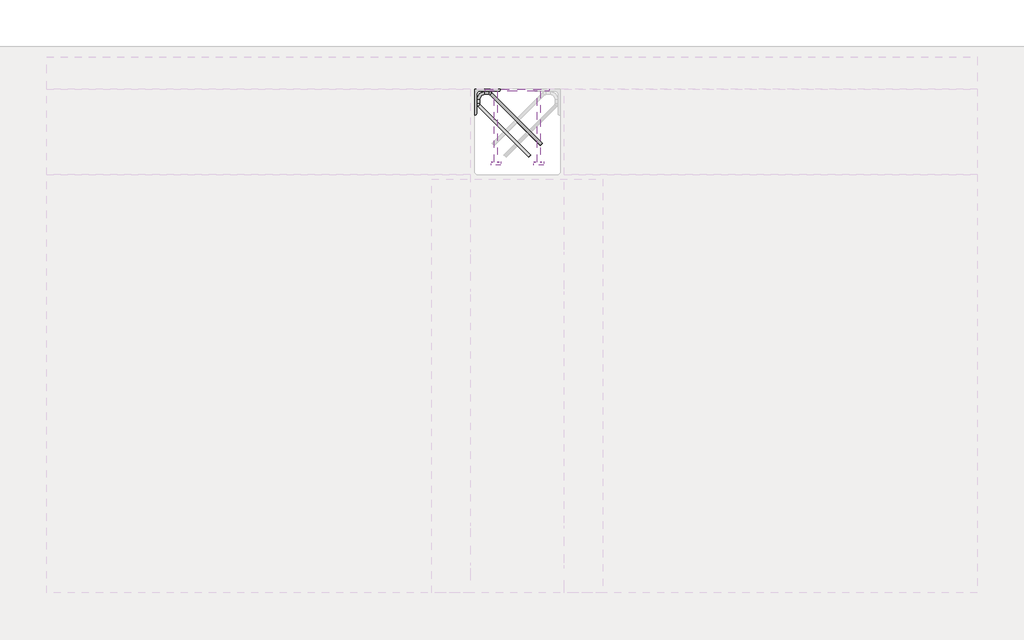
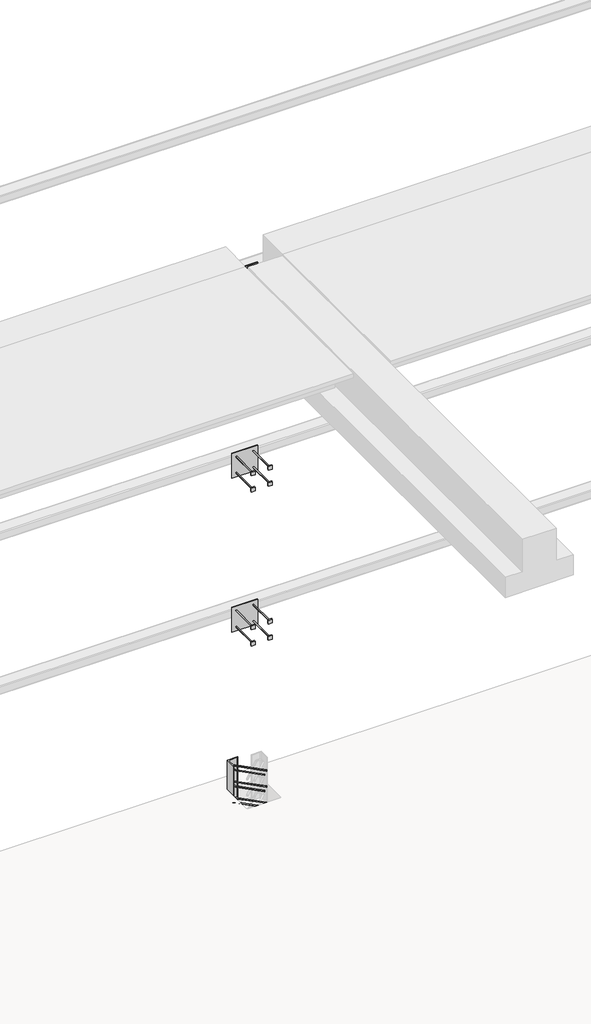
# One storey, part 61 of 65: 4 fasteners.
"""IFC4 building model written with IfcOpenShell, lengths in millimetres."""

from ifc_helpers import new_model, si_unit, point, frame, frame_2d, origin, place, context, project, spatial, polyline, circle_curve, ellipse_curve, trimmed, segment, composite_curve, outline, extrude, element, save
from ifc_brep_helpers import plane_surface, cylinder_surface, revolved_surface, advanced_brep

model = new_model("IFC4")

# Units and contexts
model_context = context("Model", 3, world=origin())
ifc_project = project(units=[si_unit("LENGTHUNIT", "METRE", prefix="MILLI")], contexts=[model_context])

# Site, building, storey
site = spatial("IfcSite", under=ifc_project)
building = spatial("IfcBuilding", under=site)
storey = spatial("IfcBuildingStorey", under=building, Elevation=0.0)

# Fasteners
placement = place(None, origin())
element("IfcFastener", 1, at=placement, inside=storey, context=model_context, shape_type="SolidModel", body=[
    advanced_brep(
    [(73052.5376259, 38682.5628791, 280.0), (73062.4371209, 38692.4623741, 280.0), (73117.4371209, 38747.4623741, 280.0), (73107.5376259, 38737.5628791, 280.0), (72847.0, 38976.0, 280.0), (72847.0, 38990.0, 280.0), (72865.7867966, 38990.0, 280.0), (72865.7867966, 38976.0, 280.0), (72824.0, 38953.0, 280.0), (72810.0, 38953.0, 280.0), (72824.0, 38934.2132034, 280.0), (72810.0, 38934.2132034, 280.0), (72816.4436508, 38918.6568542, 280.0), (72826.3431458, 38928.5563492, 280.0), (72871.4436508, 38973.6568542, 280.0), (72881.3431458, 38983.5563492, 280.0)],
    [
        (0, 1, circle_curve(frame((73057.4873734, 38687.5126266, 280.0), z_axis=(0.7071067811865482, -0.707106781186547, 0.0), x_axis=(0.707106781186547, 0.7071067811865482, 0.0)), 7.0)),
        (1, 0, circle_curve(frame((73057.4873734, 38687.5126266, 280.0), z_axis=(0.7071067811865482, -0.707106781186547, 0.0), x_axis=(0.707106781186547, 0.7071067811865482, 0.0)), 7.0)),
        (2, 3, circle_curve(frame((73112.4873734, 38742.5126266, 280.0), z_axis=(0.707106781186548, -0.707106781186547, 0.0), x_axis=(-0.707106781186547, -0.707106781186548, 0.0)), 7.0)),
        (3, 2, circle_curve(frame((73112.4873734, 38742.5126266, 280.0), z_axis=(0.707106781186548, -0.707106781186547, 0.0), x_axis=(-0.707106781186547, -0.707106781186548, 0.0)), 7.0)),
        (4, 5, circle_curve(frame((72847.0, 38983.0, 280.0), z_axis=(1.0, 0.0, 0.0), x_axis=(0.0, -1.0, 0.0)), 7.0)),
        (5, 6),
        (6, 7, circle_curve(frame((72865.7867966, 38983.0, 280.0), z_axis=(-1.0, 0.0, 0.0), x_axis=(0.0, -1.0, 0.0)), 7.0)),
        (7, 4),
        (5, 4, circle_curve(frame((72847.0, 38983.0, 280.0), z_axis=(1.0, 0.0, 0.0), x_axis=(0.0, -1.0, 0.0)), 7.0)),
        (7, 6, circle_curve(frame((72865.7867966, 38983.0, 280.0), z_axis=(-1.0, 0.0, 0.0), x_axis=(0.0, -1.0, 0.0)), 7.0)),
        (4, 8, circle_curve(frame((72847.0, 38953.0, 280.0), z_axis=(0.0, 0.0, 1.0), x_axis=(-1.0, 0.0, 0.0)), 23.0)),
        (8, 9, circle_curve(frame((72817.0, 38953.0, 280.0), z_axis=(0.0, 1.0, 0.0), x_axis=(1.0, 0.0, 0.0)), 7.0)),
        (9, 5, circle_curve(frame((72847.0, 38953.0, 280.0), z_axis=(0.0, 0.0, -1.0), x_axis=(-1.0, 0.0, 0.0)), 37.0)),
        (9, 8, circle_curve(frame((72817.0, 38953.0, 280.0), z_axis=(0.0, 1.0, 0.0), x_axis=(1.0, 0.0, 0.0)), 7.0)),
        (10, 11, circle_curve(frame((72817.0, 38934.2132034, 280.0), z_axis=(0.0, 1.0, 0.0), x_axis=(1.0, 0.0, 0.0)), 7.0)),
        (11, 9),
        (8, 10),
        (11, 10, circle_curve(frame((72817.0, 38934.2132034, 280.0), z_axis=(0.0, 1.0, 0.0), x_axis=(1.0, 0.0, 0.0)), 7.0)),
        (0, 12),
        (12, 13, circle_curve(frame((72821.3933983, 38923.6066017, 280.0), z_axis=(0.7071067811865482, -0.707106781186547, 0.0), x_axis=(0.707106781186547, 0.7071067811865482, 0.0)), 7.0)),
        (13, 1),
        (13, 12, circle_curve(frame((72821.3933983, 38923.6066017, 280.0), z_axis=(0.7071067811865482, -0.707106781186547, 0.0), x_axis=(0.707106781186547, 0.7071067811865482, 0.0)), 7.0)),
        (10, 13, circle_curve(frame((72832.0, 38934.2132034, 280.0), z_axis=(0.0, 0.0, 1.0), x_axis=(-0.7071067811865468, -0.7071067811865482, 0.0)), 8.0)),
        (12, 11, circle_curve(frame((72832.0, 38934.2132034, 280.0), z_axis=(0.0, 0.0, -1.0), x_axis=(-0.7071067811865468, -0.7071067811865482, 0.0)), 22.0)),
        (14, 7, circle_curve(frame((72865.7867966, 38968.0, 280.0), z_axis=(0.0, 0.0, 1.0), x_axis=(0.0, 1.0, 0.0)), 8.0)),
        (6, 15, circle_curve(frame((72865.7867966, 38968.0, 280.0), z_axis=(0.0, 0.0, -1.0), x_axis=(0.0, 1.0, 0.0)), 22.0)),
        (15, 14, circle_curve(frame((72876.3933983, 38978.6066017, 280.0), z_axis=(-0.7071067811865479, 0.7071067811865471, 0.0), x_axis=(-0.7071067811865471, -0.7071067811865479, 0.0)), 7.0)),
        (14, 15, circle_curve(frame((72876.3933983, 38978.6066017, 280.0), z_axis=(-0.7071067811865476, 0.7071067811865475, 0.0), x_axis=(-0.7071067811865475, -0.7071067811865476, 0.0)), 7.0)),
        (15, 2),
        (3, 14),
    ],
    [
        plane_surface(frame((73057.4873734, 38687.5126266, 280.0), z_axis=(0.7071067811865482, -0.707106781186547, 0.0), x_axis=(0.0, 0.0, -1.0))),
        plane_surface(frame((73112.4873734, 38742.5126266, 280.0), z_axis=(0.707106781186548, -0.707106781186547, 0.0), x_axis=(0.0, 0.0, -1.0))),
        cylinder_surface(frame((72847.0, 38983.0, 280.0), z_axis=(-1.0, 0.0, 0.0), x_axis=(0.0, -1.0, 0.0)), 7.0),
        revolved_surface(trimmed(ellipse_curve(frame((72817.0, 38953.0, 280.0), z_axis=(0.0, -1.0, 0.0), x_axis=(1.0, 0.0, 0.0)), 7.0, 7.0), [point((72810.0, 38953.0, 280.0))], [point((72824.0, 38953.0, 280.0))], True, "CARTESIAN"), (72847.0, 38953.0, 280.0), (0.0, 0.0, -1.0)),
        revolved_surface(trimmed(ellipse_curve(frame((72817.0, 38953.0, 280.0), z_axis=(0.0, -1.0, 0.0), x_axis=(1.0, 0.0, 0.0)), 7.0, 7.0), [point((72824.0, 38953.0, 280.0))], [point((72810.0, 38953.0, 280.0))], True, "CARTESIAN"), (72847.0, 38953.0, 280.0), (0.0, 0.0, -1.0)),
        cylinder_surface(frame((72817.0, 38934.2132034, 280.0), z_axis=(0.0, -1.0, 0.0), x_axis=(1.0, 0.0, 0.0)), 7.0),
        cylinder_surface(frame((73057.4873734, 38687.5126266, 280.0), z_axis=(0.7071067811865482, -0.707106781186547, 0.0), x_axis=(0.707106781186547, 0.7071067811865482, 0.0)), 7.0),
        revolved_surface(trimmed(ellipse_curve(frame((72821.3933983, 38923.6066017, 280.0), z_axis=(0.7071067811865482, -0.7071067811865468, 0.0), x_axis=(0.7071067811865468, 0.7071067811865482, 0.0)), 7.0, 7.0), [point((72816.4436508, 38918.6568542, 280.0))], [point((72826.3431458, 38928.5563492, 280.0))], True, "CARTESIAN"), (72832.0, 38934.2132034, 280.0), (0.0, 0.0, -1.0)),
        revolved_surface(trimmed(ellipse_curve(frame((72821.3933983, 38923.6066017, 280.0), z_axis=(0.7071067811865482, -0.7071067811865468, 0.0), x_axis=(0.7071067811865468, 0.7071067811865482, 0.0)), 7.0, 7.0), [point((72826.3431458, 38928.5563492, 280.0))], [point((72816.4436508, 38918.6568542, 280.0))], True, "CARTESIAN"), (72832.0, 38934.2132034, 280.0), (0.0, 0.0, -1.0)),
        revolved_surface(trimmed(ellipse_curve(frame((72865.7867966, 38983.0, 280.0), z_axis=(-1.0, 0.0, 0.0), x_axis=(0.0, -1.0, 0.0)), 7.0, 7.0), [point((72865.7867966, 38990.0, 280.0))], [point((72865.7867966, 38976.0, 280.0))], True, "CARTESIAN"), (72865.7867966, 38968.0, 280.0), (0.0, 0.0, -1.0)),
        revolved_surface(trimmed(ellipse_curve(frame((72865.7867966, 38983.0, 280.0), z_axis=(-1.0, 0.0, 0.0), x_axis=(0.0, -1.0, 0.0)), 7.0, 7.0), [point((72865.7867966, 38976.0, 280.0))], [point((72865.7867966, 38990.0, 280.0))], True, "CARTESIAN"), (72865.7867966, 38968.0, 280.0), (0.0, 0.0, -1.0)),
        cylinder_surface(frame((72876.3933983, 38978.6066017, 280.0), z_axis=(-0.707106781186548, 0.707106781186547, 0.0), x_axis=(-0.707106781186547, -0.707106781186548, 0.0)), 7.0),
    ],
    [
        (0, [[1, 2]]),
        (1, [[3, 4]]),
        (2, [[5, 6, 7, 8]]),
        (2, [[9, -8, 10, -6]]),
        (3, [[11, 12, 13, -5]]),
        (4, [[-13, 14, -11, -9]]),
        (5, [[15, 16, -12, 17]]),
        (5, [[18, -17, -14, -16]]),
        (6, [[-1, 19, 20, 21]]),
        (6, [[-2, -21, 22, -19]]),
        (7, [[23, -20, 24, -15]]),
        (8, [[-24, -22, -23, -18]]),
        (9, [[25, -7, 26, 27]]),
        (10, [[-26, -10, -25, 28]]),
        (11, [[-27, 29, -4, 30]]),
        (11, [[-28, -30, -3, -29]]),
    ],
),
    advanced_brep(
    [(73062.4371209, 38692.4623741, -120.0), (73052.5376259, 38682.5628791, -120.0), (73107.5376259, 38737.5628791, -120.0), (73117.4371209, 38747.4623741, -120.0), (72847.0, 38990.0, -120.0), (72847.0, 38976.0, -120.0), (72865.7867966, 38976.0, -120.0), (72865.7867966, 38990.0, -120.0), (72810.0, 38953.0, -120.0), (72824.0, 38953.0, -120.0), (72810.0, 38934.2132034, -120.0), (72824.0, 38934.2132034, -120.0), (72826.3431458, 38928.5563492, -120.0), (72816.4436508, 38918.6568542, -120.0), (72881.3431458, 38983.5563492, -120.0), (72871.4436508, 38973.6568542, -120.0)],
    [
        (0, 1, circle_curve(frame((73057.4873734, 38687.5126266, -120.0), z_axis=(0.7071067811865482, -0.707106781186547, 0.0), x_axis=(-0.707106781186547, -0.7071067811865482, 0.0)), 7.0)),
        (1, 0, circle_curve(frame((73057.4873734, 38687.5126266, -120.0), z_axis=(0.7071067811865482, -0.707106781186547, 0.0), x_axis=(-0.707106781186547, -0.7071067811865482, 0.0)), 7.0)),
        (2, 3, circle_curve(frame((73112.4873734, 38742.5126266, -120.0), z_axis=(0.7071067811865481, -0.707106781186547, 0.0), x_axis=(0.707106781186547, 0.7071067811865481, 0.0)), 7.0)),
        (3, 2, circle_curve(frame((73112.4873734, 38742.5126266, -120.0), z_axis=(0.7071067811865481, -0.707106781186547, 0.0), x_axis=(0.707106781186547, 0.7071067811865481, 0.0)), 7.0)),
        (4, 5, circle_curve(frame((72847.0, 38983.0, -120.0), z_axis=(1.0, 0.0, 0.0), x_axis=(0.0, 1.0, 0.0)), 7.0)),
        (5, 6),
        (6, 7, circle_curve(frame((72865.7867966, 38983.0, -120.0), z_axis=(-1.0, 0.0, 0.0), x_axis=(0.0, 1.0, 0.0)), 7.0)),
        (7, 4),
        (5, 4, circle_curve(frame((72847.0, 38983.0, -120.0), z_axis=(1.0, 0.0, 0.0), x_axis=(0.0, 1.0, 0.0)), 7.0)),
        (7, 6, circle_curve(frame((72865.7867966, 38983.0, -120.0), z_axis=(-1.0, 0.0, 0.0), x_axis=(0.0, 1.0, 0.0)), 7.0)),
        (4, 8, circle_curve(frame((72847.0, 38953.0, -120.0), z_axis=(0.0, 0.0, 1.0), x_axis=(-1.0, 0.0, 0.0)), 37.0)),
        (8, 9, circle_curve(frame((72817.0, 38953.0, -120.0), z_axis=(0.0, 1.0, 0.0), x_axis=(-1.0, 0.0, 0.0)), 7.0)),
        (9, 5, circle_curve(frame((72847.0, 38953.0, -120.0), z_axis=(0.0, 0.0, -1.0), x_axis=(-1.0, 0.0, 0.0)), 23.0)),
        (9, 8, circle_curve(frame((72817.0, 38953.0, -120.0), z_axis=(0.0, 1.0, 0.0), x_axis=(-1.0, 0.0, 0.0)), 7.0)),
        (10, 11, circle_curve(frame((72817.0, 38934.2132034, -120.0), z_axis=(0.0, 1.0, 0.0), x_axis=(-1.0, 0.0, 0.0)), 7.0)),
        (11, 9),
        (8, 10),
        (11, 10, circle_curve(frame((72817.0, 38934.2132034, -120.0), z_axis=(0.0, 1.0, 0.0), x_axis=(-1.0, 0.0, 0.0)), 7.0)),
        (0, 12),
        (12, 13, circle_curve(frame((72821.3933983, 38923.6066017, -120.0), z_axis=(0.7071067811865482, -0.707106781186547, 0.0), x_axis=(-0.707106781186547, -0.7071067811865482, 0.0)), 7.0)),
        (13, 1),
        (13, 12, circle_curve(frame((72821.3933983, 38923.6066017, -120.0), z_axis=(0.7071067811865482, -0.707106781186547, 0.0), x_axis=(-0.707106781186547, -0.7071067811865482, 0.0)), 7.0)),
        (10, 13, circle_curve(frame((72832.0, 38934.2132034, -120.0), z_axis=(0.0, 0.0, 1.0), x_axis=(-0.7071067811865468, -0.7071067811865482, 0.0)), 22.0)),
        (12, 11, circle_curve(frame((72832.0, 38934.2132034, -120.0), z_axis=(0.0, 0.0, -1.0), x_axis=(-0.7071067811865468, -0.7071067811865482, 0.0)), 8.0)),
        (14, 7, circle_curve(frame((72865.7867966, 38968.0, -120.0), z_axis=(0.0, 0.0, 1.0), x_axis=(0.0, 1.0, 0.0)), 22.0)),
        (6, 15, circle_curve(frame((72865.7867966, 38968.0, -120.0), z_axis=(0.0, 0.0, -1.0), x_axis=(0.0, 1.0, 0.0)), 8.0)),
        (15, 14, circle_curve(frame((72876.3933983, 38978.6066017, -120.0), z_axis=(-0.7071067811865464, 0.7071067811865487, 0.0), x_axis=(0.7071067811865487, 0.7071067811865464, 0.0)), 7.0)),
        (14, 15, circle_curve(frame((72876.3933983, 38978.6066017, -120.0), z_axis=(-0.7071067811865474, 0.7071067811865477, 0.0), x_axis=(0.7071067811865477, 0.7071067811865474, 0.0)), 7.0)),
        (15, 2),
        (3, 14),
    ],
    [
        plane_surface(frame((73057.4873734, 38687.5126266, -120.0), z_axis=(0.7071067811865482, -0.707106781186547, 0.0), x_axis=(0.0, 0.0, 1.0))),
        plane_surface(frame((73112.4873734, 38742.5126266, -120.0), z_axis=(0.7071067811865481, -0.707106781186547, 0.0), x_axis=(0.0, 0.0, 1.0))),
        cylinder_surface(frame((72847.0, 38983.0, -120.0), z_axis=(-1.0, 0.0, 0.0), x_axis=(0.0, 1.0, 0.0)), 7.0),
        revolved_surface(trimmed(ellipse_curve(frame((72817.0, 38953.0, -120.0), z_axis=(0.0, -1.0, 0.0), x_axis=(-1.0, 0.0, 0.0)), 7.0, 7.0), [point((72824.0, 38953.0, -120.0))], [point((72810.0, 38953.0, -120.0))], True, "CARTESIAN"), (72847.0, 38953.0, -120.0), (0.0, 0.0, -1.0)),
        revolved_surface(trimmed(ellipse_curve(frame((72817.0, 38953.0, -120.0), z_axis=(0.0, -1.0, 0.0), x_axis=(-1.0, 0.0, 0.0)), 7.0, 7.0), [point((72810.0, 38953.0, -120.0))], [point((72824.0, 38953.0, -120.0))], True, "CARTESIAN"), (72847.0, 38953.0, -120.0), (0.0, 0.0, -1.0)),
        cylinder_surface(frame((72817.0, 38934.2132034, -120.0), z_axis=(0.0, -1.0, 0.0), x_axis=(-1.0, 0.0, 0.0)), 7.0),
        cylinder_surface(frame((73057.4873734, 38687.5126266, -120.0), z_axis=(0.7071067811865482, -0.707106781186547, 0.0), x_axis=(-0.707106781186547, -0.7071067811865482, 0.0)), 7.0),
        revolved_surface(trimmed(ellipse_curve(frame((72821.3933983, 38923.6066017, -120.0), z_axis=(0.7071067811865482, -0.7071067811865468, 0.0), x_axis=(-0.7071067811865468, -0.7071067811865482, 0.0)), 7.0, 7.0), [point((72826.3431458, 38928.5563492, -120.0))], [point((72816.4436508, 38918.6568542, -120.0))], True, "CARTESIAN"), (72832.0, 38934.2132034, -120.0), (0.0, 0.0, -1.0)),
        revolved_surface(trimmed(ellipse_curve(frame((72821.3933983, 38923.6066017, -120.0), z_axis=(0.7071067811865482, -0.7071067811865468, 0.0), x_axis=(-0.7071067811865468, -0.7071067811865482, 0.0)), 7.0, 7.0), [point((72816.4436508, 38918.6568542, -120.0))], [point((72826.3431458, 38928.5563492, -120.0))], True, "CARTESIAN"), (72832.0, 38934.2132034, -120.0), (0.0, 0.0, -1.0)),
        revolved_surface(trimmed(ellipse_curve(frame((72865.7867966, 38983.0, -120.0), z_axis=(-1.0, 0.0, 0.0), x_axis=(0.0, 1.0, 0.0)), 7.0, 7.0), [point((72865.7867966, 38976.0, -120.0))], [point((72865.7867966, 38990.0, -120.0))], True, "CARTESIAN"), (72865.7867966, 38968.0, -120.0), (0.0, 0.0, -1.0)),
        revolved_surface(trimmed(ellipse_curve(frame((72865.7867966, 38983.0, -120.0), z_axis=(-1.0, 0.0, 0.0), x_axis=(0.0, 1.0, 0.0)), 7.0, 7.0), [point((72865.7867966, 38990.0, -120.0))], [point((72865.7867966, 38976.0, -120.0))], True, "CARTESIAN"), (72865.7867966, 38968.0, -120.0), (0.0, 0.0, -1.0)),
        cylinder_surface(frame((72876.3933983, 38978.6066017, -120.0), z_axis=(-0.7071067811865481, 0.707106781186547, 0.0), x_axis=(0.707106781186547, 0.7071067811865481, 0.0)), 7.0),
    ],
    [
        (0, [[1, 2]]),
        (1, [[3, 4]]),
        (2, [[5, 6, 7, 8]]),
        (2, [[9, -8, 10, -6]]),
        (3, [[11, 12, 13, -5]]),
        (4, [[-13, 14, -11, -9]]),
        (5, [[15, 16, -12, 17]]),
        (5, [[18, -17, -14, -16]]),
        (6, [[-1, 19, 20, 21]]),
        (6, [[-2, -21, 22, -19]]),
        (7, [[23, -20, 24, -15]]),
        (8, [[-24, -22, -23, -18]]),
        (9, [[25, -7, 26, 27]]),
        (10, [[-26, -10, -25, 28]]),
        (11, [[-27, 29, -4, 30]]),
        (11, [[-28, -30, -3, -29]]),
    ],
),
    advanced_brep(
    [(73062.4371209, 38692.4623741, 80.0), (73052.5376259, 38682.5628791, 80.0), (73107.5376259, 38737.5628791, 80.0), (73117.4371209, 38747.4623741, 80.0), (72847.0, 38990.0, 80.0), (72847.0, 38976.0, 80.0), (72865.7867966, 38976.0, 80.0), (72865.7867966, 38990.0, 80.0), (72810.0, 38953.0, 80.0), (72824.0, 38953.0, 80.0), (72810.0, 38934.2132034, 80.0), (72824.0, 38934.2132034, 80.0), (72826.3431458, 38928.5563492, 80.0), (72816.4436508, 38918.6568542, 80.0), (72881.3431458, 38983.5563492, 80.0), (72871.4436508, 38973.6568542, 80.0)],
    [
        (0, 1, circle_curve(frame((73057.4873734, 38687.5126266, 80.0), z_axis=(0.7071067811865481, -0.7071067811865469, 0.0), x_axis=(-0.7071067811865469, -0.7071067811865481, 0.0)), 7.0)),
        (1, 0, circle_curve(frame((73057.4873734, 38687.5126266, 80.0), z_axis=(0.7071067811865481, -0.7071067811865469, 0.0), x_axis=(-0.7071067811865469, -0.7071067811865481, 0.0)), 7.0)),
        (2, 3, circle_curve(frame((73112.4873734, 38742.5126266, 80.0), z_axis=(0.7071067811865481, -0.707106781186547, 0.0), x_axis=(0.707106781186547, 0.7071067811865481, 0.0)), 7.0)),
        (3, 2, circle_curve(frame((73112.4873734, 38742.5126266, 80.0), z_axis=(0.7071067811865481, -0.707106781186547, 0.0), x_axis=(0.707106781186547, 0.7071067811865481, 0.0)), 7.0)),
        (4, 5, circle_curve(frame((72847.0, 38983.0, 80.0), z_axis=(1.0, 0.0, 0.0), x_axis=(0.0, 1.0, 0.0)), 7.0)),
        (5, 6),
        (6, 7, circle_curve(frame((72865.7867966, 38983.0, 80.0), z_axis=(-1.0, 0.0, 0.0), x_axis=(0.0, 1.0, 0.0)), 7.0)),
        (7, 4),
        (5, 4, circle_curve(frame((72847.0, 38983.0, 80.0), z_axis=(1.0, 0.0, 0.0), x_axis=(0.0, 1.0, 0.0)), 7.0)),
        (7, 6, circle_curve(frame((72865.7867966, 38983.0, 80.0), z_axis=(-1.0, 0.0, 0.0), x_axis=(0.0, 1.0, 0.0)), 7.0)),
        (4, 8, circle_curve(frame((72847.0, 38953.0, 80.0), z_axis=(0.0, 0.0, 1.0), x_axis=(-1.0, 0.0, 0.0)), 37.0)),
        (8, 9, circle_curve(frame((72817.0, 38953.0, 80.0), z_axis=(0.0, 1.0, 0.0), x_axis=(-1.0, 0.0, 0.0)), 7.0)),
        (9, 5, circle_curve(frame((72847.0, 38953.0, 80.0), z_axis=(0.0, 0.0, -1.0), x_axis=(-1.0, 0.0, 0.0)), 23.0)),
        (9, 8, circle_curve(frame((72817.0, 38953.0, 80.0), z_axis=(0.0, 1.0, 0.0), x_axis=(-1.0, 0.0, 0.0)), 7.0)),
        (10, 11, circle_curve(frame((72817.0, 38934.2132034, 80.0), z_axis=(0.0, 1.0, 0.0), x_axis=(-1.0, 0.0, 0.0)), 7.0)),
        (11, 9),
        (8, 10),
        (11, 10, circle_curve(frame((72817.0, 38934.2132034, 80.0), z_axis=(0.0, 1.0, 0.0), x_axis=(-1.0, 0.0, 0.0)), 7.0)),
        (0, 12),
        (12, 13, circle_curve(frame((72821.3933983, 38923.6066017, 80.0), z_axis=(0.7071067811865481, -0.7071067811865469, 0.0), x_axis=(-0.7071067811865469, -0.7071067811865481, 0.0)), 7.0)),
        (13, 1),
        (13, 12, circle_curve(frame((72821.3933983, 38923.6066017, 80.0), z_axis=(0.7071067811865481, -0.7071067811865469, 0.0), x_axis=(-0.7071067811865469, -0.7071067811865481, 0.0)), 7.0)),
        (10, 13, circle_curve(frame((72832.0, 38934.2132034, 80.0), z_axis=(0.0, 0.0, 1.0), x_axis=(-0.7071067811865468, -0.7071067811865482, 0.0)), 22.0)),
        (12, 11, circle_curve(frame((72832.0, 38934.2132034, 80.0), z_axis=(0.0, 0.0, -1.0), x_axis=(-0.7071067811865468, -0.7071067811865482, 0.0)), 8.0)),
        (14, 7, circle_curve(frame((72865.7867966, 38968.0, 80.0), z_axis=(0.0, 0.0, 1.0), x_axis=(0.0, 1.0, 0.0)), 22.0)),
        (6, 15, circle_curve(frame((72865.7867966, 38968.0, 80.0), z_axis=(0.0, 0.0, -1.0), x_axis=(0.0, 1.0, 0.0)), 8.0)),
        (15, 14, circle_curve(frame((72876.3933983, 38978.6066017, 80.0), z_axis=(-0.707106781186548, 0.707106781186547, 0.0), x_axis=(0.707106781186547, 0.707106781186548, 0.0)), 7.0)),
        (14, 15, circle_curve(frame((72876.3933983, 38978.6066017, 80.0), z_axis=(-0.7071067811865479, 0.7071067811865471, 0.0), x_axis=(0.7071067811865471, 0.7071067811865479, 0.0)), 7.0)),
        (15, 2),
        (3, 14),
    ],
    [
        plane_surface(frame((73057.4873734, 38687.5126266, 80.0), z_axis=(0.7071067811865481, -0.7071067811865469, 0.0), x_axis=(0.0, 0.0, 1.0))),
        plane_surface(frame((73112.4873734, 38742.5126266, 80.0), z_axis=(0.707106781186548, -0.7071067811865471, 0.0), x_axis=(0.0, 0.0, 1.0))),
        cylinder_surface(frame((72847.0, 38983.0, 80.0), z_axis=(-1.0, 0.0, 0.0), x_axis=(0.0, 1.0, 0.0)), 7.0),
        revolved_surface(trimmed(ellipse_curve(frame((72817.0, 38953.0, 80.0), z_axis=(0.0, -1.0, 0.0), x_axis=(-1.0, 0.0, 0.0)), 7.0, 7.0), [point((72824.0, 38953.0, 80.0))], [point((72810.0, 38953.0, 80.0))], True, "CARTESIAN"), (72847.0, 38953.0, 80.0), (0.0, 0.0, -1.0)),
        revolved_surface(trimmed(ellipse_curve(frame((72817.0, 38953.0, 80.0), z_axis=(0.0, -1.0, 0.0), x_axis=(-1.0, 0.0, 0.0)), 7.0, 7.0), [point((72810.0, 38953.0, 80.0))], [point((72824.0, 38953.0, 80.0))], True, "CARTESIAN"), (72847.0, 38953.0, 80.0), (0.0, 0.0, -1.0)),
        cylinder_surface(frame((72817.0, 38934.2132034, 80.0), z_axis=(0.0, -1.0, 0.0), x_axis=(-1.0, 0.0, 0.0)), 7.0),
        cylinder_surface(frame((73057.4873734, 38687.5126266, 80.0), z_axis=(0.7071067811865481, -0.7071067811865469, 0.0), x_axis=(-0.7071067811865469, -0.7071067811865481, 0.0)), 7.0),
        revolved_surface(trimmed(ellipse_curve(frame((72821.3933983, 38923.6066017, 80.0), z_axis=(0.7071067811865483, -0.7071067811865467, 0.0), x_axis=(-0.7071067811865467, -0.7071067811865483, 0.0)), 7.0, 7.0), [point((72826.3431458, 38928.5563492, 80.0))], [point((72816.4436508, 38918.6568542, 80.0))], True, "CARTESIAN"), (72832.0, 38934.2132034, 80.0), (0.0, 0.0, -1.0)),
        revolved_surface(trimmed(ellipse_curve(frame((72821.3933983, 38923.6066017, 80.0), z_axis=(0.7071067811865483, -0.7071067811865467, 0.0), x_axis=(-0.7071067811865467, -0.7071067811865483, 0.0)), 7.0, 7.0), [point((72816.4436508, 38918.6568542, 80.0))], [point((72826.3431458, 38928.5563492, 80.0))], True, "CARTESIAN"), (72832.0, 38934.2132034, 80.0), (0.0, 0.0, -1.0)),
        revolved_surface(trimmed(ellipse_curve(frame((72865.7867966, 38983.0, 80.0), z_axis=(-1.0, 0.0, 0.0), x_axis=(0.0, 1.0, 0.0)), 7.0, 7.0), [point((72865.7867966, 38976.0, 80.0))], [point((72865.7867966, 38990.0, 80.0))], True, "CARTESIAN"), (72865.7867966, 38968.0, 80.0), (0.0, 0.0, -1.0)),
        revolved_surface(trimmed(ellipse_curve(frame((72865.7867966, 38983.0, 80.0), z_axis=(-1.0, 0.0, 0.0), x_axis=(0.0, 1.0, 0.0)), 7.0, 7.0), [point((72865.7867966, 38990.0, 80.0))], [point((72865.7867966, 38976.0, 80.0))], True, "CARTESIAN"), (72865.7867966, 38968.0, 80.0), (0.0, 0.0, -1.0)),
        cylinder_surface(frame((72876.3933983, 38978.6066017, 80.0), z_axis=(-0.7071067811865481, 0.707106781186547, 0.0), x_axis=(0.707106781186547, 0.7071067811865481, 0.0)), 7.0),
    ],
    [
        (0, [[1, 2]]),
        (1, [[3, 4]]),
        (2, [[5, 6, 7, 8]]),
        (2, [[9, -8, 10, -6]]),
        (3, [[11, 12, 13, -5]]),
        (4, [[-13, 14, -11, -9]]),
        (5, [[15, 16, -12, 17]]),
        (5, [[18, -17, -14, -16]]),
        (6, [[-1, 19, 20, 21]]),
        (6, [[-2, -21, 22, -19]]),
        (7, [[23, -20, 24, -15]]),
        (8, [[-24, -22, -23, -18]]),
        (9, [[25, -7, 26, 27]]),
        (10, [[-26, -10, -25, 28]]),
        (11, [[-27, 29, -4, 30]]),
        (11, [[-28, -30, -3, -29]]),
    ],
),
    extrude(outline(composite_curve([segment(polyline([(72800.0, 39000.0), (72920.0, 39000.0), (72920.0, 38996.5)]), True, "CONTINUOUS"), segment(trimmed(circle_curve(frame_2d((72913.5, 38996.5)), 6.5), [point((72920.0, 38996.5))], [point((72913.5, 38990.0))], False, "CARTESIAN"), True, "CONTINUOUS"), segment(polyline([(72913.5, 38990.0), (72823.0, 38990.0)]), True, "CONTINUOUS"), segment(trimmed(circle_curve(frame_2d((72823.0, 38977.0)), 13.0), [point((72823.0, 38990.0))], [point((72810.0, 38977.0))], True, "CARTESIAN"), True, "CONTINUOUS"), segment(polyline([(72810.0, 38977.0), (72810.0, 38886.5)]), True, "CONTINUOUS"), segment(trimmed(circle_curve(frame_2d((72803.5, 38886.5)), 6.5), [point((72810.0, 38886.5))], [point((72803.5, 38880.0))], False, "CARTESIAN"), True, "CONTINUOUS"), segment(polyline([(72803.5, 38880.0), (72800.0, 38880.0), (72800.0, 39000.0)]), True, "CONTINUOUS")], self_intersect=False)), frame((0.0, 0.0, -200.0), z_axis=(0.0, 0.0, 1.0), x_axis=(1.0, 0.0, 0.0)), (0.0, 0.0, 1.0), 560.0),
])
element("IfcFastener", 2, ObjectType="ZC : ZC 1", at=placement, inside=storey, context=model_context, shape_type="SweptSolid", body=[
    extrude(outline(polyline([(72877.5, 38660.0), (72922.5, 38660.0), (72922.5, 38644.0), (72877.5, 38644.0), (72877.5, 38660.0)])), frame((0.0, 0.0, 3867.5), z_axis=(0.0, 0.0, 1.0), x_axis=(1.0, 0.0, 0.0)), (0.0, 0.0, 1.0), 45.0),
    extrude(outline(composite_curve([segment(trimmed(circle_curve(frame_2d((3890.0, 72900.0)), 7.0), [point((3890.0, 72893.0))], [point((3890.0, 72907.0))], False, "CARTESIAN"), True, "CONTINUOUS"), segment(trimmed(circle_curve(frame_2d((3890.0, 72900.0)), 7.0), [point((3890.0, 72907.0))], [point((3890.0, 72893.0))], False, "CARTESIAN"), True, "CONTINUOUS")], self_intersect=False)), frame((0.0, 38660.0, 0.0), z_axis=(0.0, 1.0, 0.0), x_axis=(0.0, 0.0, 1.0)), (0.0, 0.0, 1.0), 330.0),
    extrude(outline(polyline([(73077.5, 38660.0), (73122.5, 38660.0), (73122.5, 38644.0), (73077.5, 38644.0), (73077.5, 38660.0)])), frame((0.0, 0.0, 3867.5), z_axis=(0.0, 0.0, 1.0), x_axis=(1.0, 0.0, 0.0)), (0.0, 0.0, 1.0), 45.0),
    extrude(outline(composite_curve([segment(trimmed(circle_curve(frame_2d((3890.0, 73100.0)), 7.0), [point((3890.0, 73093.0))], [point((3890.0, 73107.0))], False, "CARTESIAN"), True, "CONTINUOUS"), segment(trimmed(circle_curve(frame_2d((3890.0, 73100.0)), 7.0), [point((3890.0, 73107.0))], [point((3890.0, 73093.0))], False, "CARTESIAN"), True, "CONTINUOUS")], self_intersect=False)), frame((0.0, 38660.0, 0.0), z_axis=(0.0, 1.0, 0.0), x_axis=(0.0, 0.0, 1.0)), (0.0, 0.0, 1.0), 330.0),
    extrude(outline(polyline([(72877.5, 38660.0), (72922.5, 38660.0), (72922.5, 38644.0), (72877.5, 38644.0), (72877.5, 38660.0)])), frame((0.0, 0.0, 4067.5), z_axis=(0.0, 0.0, 1.0), x_axis=(1.0, 0.0, 0.0)), (0.0, 0.0, 1.0), 45.0),
    extrude(outline(composite_curve([segment(trimmed(circle_curve(frame_2d((4090.0, 72900.0)), 7.0), [point((4090.0, 72893.0))], [point((4090.0, 72907.0))], False, "CARTESIAN"), True, "CONTINUOUS"), segment(trimmed(circle_curve(frame_2d((4090.0, 72900.0)), 7.0), [point((4090.0, 72907.0))], [point((4090.0, 72893.0))], False, "CARTESIAN"), True, "CONTINUOUS")], self_intersect=False)), frame((0.0, 38660.0, 0.0), z_axis=(0.0, 1.0, 0.0), x_axis=(0.0, 0.0, 1.0)), (0.0, 0.0, 1.0), 330.0),
    extrude(outline(polyline([(73077.5, 38660.0), (73122.5, 38660.0), (73122.5, 38644.0), (73077.5, 38644.0), (73077.5, 38660.0)])), frame((0.0, 0.0, 4067.5), z_axis=(0.0, 0.0, 1.0), x_axis=(1.0, 0.0, 0.0)), (0.0, 0.0, 1.0), 45.0),
    extrude(outline(composite_curve([segment(trimmed(circle_curve(frame_2d((4090.0, 73100.0)), 7.0), [point((4090.0, 73093.0))], [point((4090.0, 73107.0))], False, "CARTESIAN"), True, "CONTINUOUS"), segment(trimmed(circle_curve(frame_2d((4090.0, 73100.0)), 7.0), [point((4090.0, 73107.0))], [point((4090.0, 73093.0))], False, "CARTESIAN"), True, "CONTINUOUS")], self_intersect=False)), frame((0.0, 38660.0, 0.0), z_axis=(0.0, 1.0, 0.0), x_axis=(0.0, 0.0, 1.0)), (0.0, 0.0, 1.0), 330.0),
    extrude(outline(polyline([(72850.0, 39000.0), (73150.0, 39000.0), (73150.0, 38990.0), (72850.0, 38990.0), (72850.0, 39000.0)])), frame((0.0, 0.0, 3840.0), z_axis=(0.0, 0.0, 1.0), x_axis=(1.0, 0.0, 0.0)), (0.0, 0.0, 1.0), 300.0),
])
element("IfcFastener", 3, ObjectType="ZC : ZC 1", at=placement, inside=storey, context=model_context, shape_type="SweptSolid", body=[
    extrude(outline(polyline([(72877.5, 38660.0), (72922.5, 38660.0), (72922.5, 38644.0), (72877.5, 38644.0), (72877.5, 38660.0)])), frame((0.0, 0.0, 1962.5), z_axis=(0.0, 0.0, 1.0), x_axis=(1.0, 0.0, 0.0)), (0.0, 0.0, 1.0), 45.0),
    extrude(outline(composite_curve([segment(trimmed(circle_curve(frame_2d((1985.0, 72900.0)), 7.0), [point((1985.0, 72893.0))], [point((1985.0, 72907.0))], False, "CARTESIAN"), True, "CONTINUOUS"), segment(trimmed(circle_curve(frame_2d((1985.0, 72900.0)), 7.0), [point((1985.0, 72907.0))], [point((1985.0, 72893.0))], False, "CARTESIAN"), True, "CONTINUOUS")], self_intersect=False)), frame((0.0, 38660.0, 0.0), z_axis=(0.0, 1.0, 0.0), x_axis=(0.0, 0.0, 1.0)), (0.0, 0.0, 1.0), 330.0),
    extrude(outline(polyline([(73077.5, 38660.0), (73122.5, 38660.0), (73122.5, 38644.0), (73077.5, 38644.0), (73077.5, 38660.0)])), frame((0.0, 0.0, 1962.5), z_axis=(0.0, 0.0, 1.0), x_axis=(1.0, 0.0, 0.0)), (0.0, 0.0, 1.0), 45.0),
    extrude(outline(composite_curve([segment(trimmed(circle_curve(frame_2d((1985.0, 73100.0)), 7.0), [point((1985.0, 73093.0))], [point((1985.0, 73107.0))], False, "CARTESIAN"), True, "CONTINUOUS"), segment(trimmed(circle_curve(frame_2d((1985.0, 73100.0)), 7.0), [point((1985.0, 73107.0))], [point((1985.0, 73093.0))], False, "CARTESIAN"), True, "CONTINUOUS")], self_intersect=False)), frame((0.0, 38660.0, 0.0), z_axis=(0.0, 1.0, 0.0), x_axis=(0.0, 0.0, 1.0)), (0.0, 0.0, 1.0), 330.0),
    extrude(outline(polyline([(72877.5, 38660.0), (72922.5, 38660.0), (72922.5, 38644.0), (72877.5, 38644.0), (72877.5, 38660.0)])), frame((0.0, 0.0, 2162.5), z_axis=(0.0, 0.0, 1.0), x_axis=(1.0, 0.0, 0.0)), (0.0, 0.0, 1.0), 45.0),
    extrude(outline(composite_curve([segment(trimmed(circle_curve(frame_2d((2185.0, 72900.0)), 7.0), [point((2185.0, 72893.0))], [point((2185.0, 72907.0))], False, "CARTESIAN"), True, "CONTINUOUS"), segment(trimmed(circle_curve(frame_2d((2185.0, 72900.0)), 7.0), [point((2185.0, 72907.0))], [point((2185.0, 72893.0))], False, "CARTESIAN"), True, "CONTINUOUS")], self_intersect=False)), frame((0.0, 38660.0, 0.0), z_axis=(0.0, 1.0, 0.0), x_axis=(0.0, 0.0, 1.0)), (0.0, 0.0, 1.0), 330.0),
    extrude(outline(polyline([(73077.5, 38660.0), (73122.5, 38660.0), (73122.5, 38644.0), (73077.5, 38644.0), (73077.5, 38660.0)])), frame((0.0, 0.0, 2162.5), z_axis=(0.0, 0.0, 1.0), x_axis=(1.0, 0.0, 0.0)), (0.0, 0.0, 1.0), 45.0),
    extrude(outline(composite_curve([segment(trimmed(circle_curve(frame_2d((2185.0, 73100.0)), 7.0), [point((2185.0, 73093.0))], [point((2185.0, 73107.0))], False, "CARTESIAN"), True, "CONTINUOUS"), segment(trimmed(circle_curve(frame_2d((2185.0, 73100.0)), 7.0), [point((2185.0, 73107.0))], [point((2185.0, 73093.0))], False, "CARTESIAN"), True, "CONTINUOUS")], self_intersect=False)), frame((0.0, 38660.0, 0.0), z_axis=(0.0, 1.0, 0.0), x_axis=(0.0, 0.0, 1.0)), (0.0, 0.0, 1.0), 330.0),
    extrude(outline(polyline([(72850.0, 39000.0), (73150.0, 39000.0), (73150.0, 38990.0), (72850.0, 38990.0), (72850.0, 39000.0)])), frame((0.0, 0.0, 1935.0), z_axis=(0.0, 0.0, 1.0), x_axis=(1.0, 0.0, 0.0)), (0.0, 0.0, 1.0), 300.0),
])
element("IfcFastener", 4, ObjectType="ZC : ZC 1", at=placement, inside=storey, context=model_context, shape_type="SweptSolid", body=[
    extrude(outline(polyline([(72877.5, 38660.0), (72922.5, 38660.0), (72922.5, 38644.0), (72877.5, 38644.0), (72877.5, 38660.0)])), frame((0.0, 0.0, 6137.5), z_axis=(0.0, 0.0, 1.0), x_axis=(1.0, 0.0, 0.0)), (0.0, 0.0, 1.0), 45.0),
    extrude(outline(composite_curve([segment(trimmed(circle_curve(frame_2d((6160.0, 72900.0)), 7.0), [point((6160.0, 72893.0))], [point((6160.0, 72907.0))], False, "CARTESIAN"), True, "CONTINUOUS"), segment(trimmed(circle_curve(frame_2d((6160.0, 72900.0)), 7.0), [point((6160.0, 72907.0))], [point((6160.0, 72893.0))], False, "CARTESIAN"), True, "CONTINUOUS")], self_intersect=False)), frame((0.0, 38660.0, 0.0), z_axis=(0.0, 1.0, 0.0), x_axis=(0.0, 0.0, 1.0)), (0.0, 0.0, 1.0), 330.0),
    extrude(outline(polyline([(73077.5, 38660.0), (73122.5, 38660.0), (73122.5, 38644.0), (73077.5, 38644.0), (73077.5, 38660.0)])), frame((0.0, 0.0, 6137.5), z_axis=(0.0, 0.0, 1.0), x_axis=(1.0, 0.0, 0.0)), (0.0, 0.0, 1.0), 45.0),
    extrude(outline(composite_curve([segment(trimmed(circle_curve(frame_2d((6160.0, 73100.0)), 7.0), [point((6160.0, 73093.0))], [point((6160.0, 73107.0))], False, "CARTESIAN"), True, "CONTINUOUS"), segment(trimmed(circle_curve(frame_2d((6160.0, 73100.0)), 7.0), [point((6160.0, 73107.0))], [point((6160.0, 73093.0))], False, "CARTESIAN"), True, "CONTINUOUS")], self_intersect=False)), frame((0.0, 38660.0, 0.0), z_axis=(0.0, 1.0, 0.0), x_axis=(0.0, 0.0, 1.0)), (0.0, 0.0, 1.0), 330.0),
    extrude(outline(polyline([(72877.5, 38660.0), (72922.5, 38660.0), (72922.5, 38644.0), (72877.5, 38644.0), (72877.5, 38660.0)])), frame((0.0, 0.0, 6337.5), z_axis=(0.0, 0.0, 1.0), x_axis=(1.0, 0.0, 0.0)), (0.0, 0.0, 1.0), 45.0),
    extrude(outline(composite_curve([segment(trimmed(circle_curve(frame_2d((6360.0, 72900.0)), 7.0), [point((6360.0, 72893.0))], [point((6360.0, 72907.0))], False, "CARTESIAN"), True, "CONTINUOUS"), segment(trimmed(circle_curve(frame_2d((6360.0, 72900.0)), 7.0), [point((6360.0, 72907.0))], [point((6360.0, 72893.0))], False, "CARTESIAN"), True, "CONTINUOUS")], self_intersect=False)), frame((0.0, 38660.0, 0.0), z_axis=(0.0, 1.0, 0.0), x_axis=(0.0, 0.0, 1.0)), (0.0, 0.0, 1.0), 330.0),
    extrude(outline(polyline([(73077.5, 38660.0), (73122.5, 38660.0), (73122.5, 38644.0), (73077.5, 38644.0), (73077.5, 38660.0)])), frame((0.0, 0.0, 6337.5), z_axis=(0.0, 0.0, 1.0), x_axis=(1.0, 0.0, 0.0)), (0.0, 0.0, 1.0), 45.0),
    extrude(outline(composite_curve([segment(trimmed(circle_curve(frame_2d((6360.0, 73100.0)), 7.0), [point((6360.0, 73093.0))], [point((6360.0, 73107.0))], False, "CARTESIAN"), True, "CONTINUOUS"), segment(trimmed(circle_curve(frame_2d((6360.0, 73100.0)), 7.0), [point((6360.0, 73107.0))], [point((6360.0, 73093.0))], False, "CARTESIAN"), True, "CONTINUOUS")], self_intersect=False)), frame((0.0, 38660.0, 0.0), z_axis=(0.0, 1.0, 0.0), x_axis=(0.0, 0.0, 1.0)), (0.0, 0.0, 1.0), 330.0),
    extrude(outline(polyline([(72850.0, 39000.0), (73150.0, 39000.0), (73150.0, 38990.0), (72850.0, 38990.0), (72850.0, 39000.0)])), frame((0.0, 0.0, 6110.0), z_axis=(0.0, 0.0, 1.0), x_axis=(1.0, 0.0, 0.0)), (0.0, 0.0, 1.0), 300.0),
])

save(model, "model.ifc")
